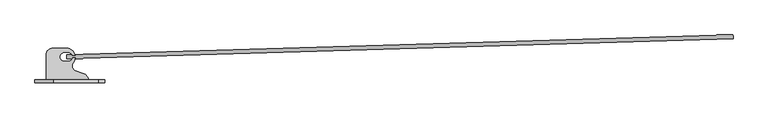
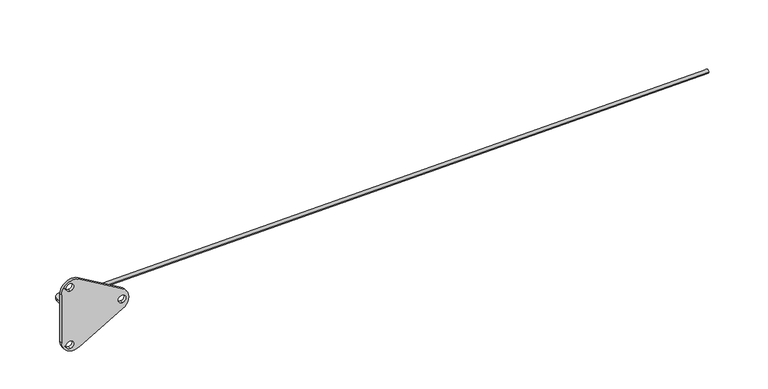
"""IFC4 building model written with IfcOpenShell, lengths in millimetres: proxy geometry."""

from ifc_helpers import new_model, si_unit, point, frame, frame_2d, origin, place, context, project, spatial, polyline, circle_curve, trimmed, segment, composite_curve, outline, extrude, source, transform, mapped, element, save
from ifc_brep_helpers import plane_surface, extruded_surface, advanced_brep


def specialty_equipment_0e091ee8(model_context):
    return source(origin(), model_context, "Body", "SolidModel", [
        extrude(outline(composite_curve([segment(polyline([(106.9663575, -86.5), (22.9663575, -86.5), (22.9663575, -35.5)]), True, "CONTINUOUS"), segment(trimmed(circle_curve(frame_2d((35.9663575, -35.5)), 13.0), [point((22.9663575, -35.5))], [point((35.9663575, -22.5))], False, "CARTESIAN"), True, "CONTINUOUS"), segment(polyline([(35.9663575, -22.5), (62.9663575, -22.5)]), True, "CONTINUOUS"), segment(trimmed(circle_curve(frame_2d((62.9663575, -40.5)), 18.0), [point((62.9663575, -22.5))], [point((76.8783659, -51.9217347))], False, "CARTESIAN"), True, "CONTINUOUS"), segment(trimmed(circle_curve(frame_2d((84.6072594, -58.2671428)), 10.0), [point((76.8783659, -51.9217347))], [point((81.0486273, -67.6125234))], True, "CARTESIAN"), True, "CONTINUOUS"), segment(polyline([(81.0486273, -67.6125234), (98.3110266, -74.1858809)]), True, "CONTINUOUS"), segment(trimmed(circle_curve(frame_2d((93.5280064, -86.7466465)), 13.4406143), [point((98.3110266, -74.1858809))], [point((106.9663575, -86.5))], False, "CARTESIAN"), True, "CONTINUOUS")], self_intersect=False), holes=[composite_curve([segment(trimmed(circle_curve(frame_2d((66.8881977, -40.0756978)), 8.0), [point((66.8881977, -48.0756978))], [point((66.8881977, -32.0756978))], True, "CARTESIAN"), True, "CONTINUOUS"), segment(polyline([(66.8881977, -32.0756978), (58.8881977, -32.0756978)]), True, "CONTINUOUS"), segment(trimmed(circle_curve(frame_2d((58.8881977, -40.0756978)), 8.0), [point((58.8881977, -32.0756978))], [point((58.8881977, -48.0756978))], True, "CARTESIAN"), True, "CONTINUOUS"), segment(polyline([(58.8881977, -48.0756978), (66.8881977, -48.0756978)]), True, "CONTINUOUS")], self_intersect=False)]), frame((0.0, 0.0, 1797.0), z_axis=(0.0, 0.0, 1.0), x_axis=(1.0, 0.0, 0.0)), (0.0, 0.0, 1.0), 6.0),
        extrude(outline(composite_curve([segment(trimmed(circle_curve(frame_2d((1746.9543472, 24.5)), 24.5), [point((1746.9543472, 0.0))], [point((1725.7049481, 36.6947954))], False, "CARTESIAN"), True, "CONTINUOUS"), segment(polyline([(1725.7049481, 36.6947954), (1777.5339286, 127.0066589)]), True, "CONTINUOUS"), segment(trimmed(circle_curve(frame_2d((1799.932417, 114.1524138)), 25.8248698), [point((1777.5339286, 127.0066589))], [point((1822.263764, 127.1229513))], False, "CARTESIAN"), True, "CONTINUOUS"), segment(polyline([(1822.263764, 127.1229513), (1874.1115681, 37.8566967)]), True, "CONTINUOUS"), segment(trimmed(circle_curve(frame_2d((1852.3205602, 25.2)), 25.2), [point((1874.1115681, 37.8566967))], [point((1852.3205602, 0.0))], False, "CARTESIAN"), True, "CONTINUOUS"), segment(polyline([(1852.3205602, 0.0), (1746.9543472, 0.0)]), True, "CONTINUOUS")], self_intersect=False), holes=[composite_curve([segment(trimmed(circle_curve(frame_2d((1800.0, 126.2500924)), 8.0), [point((1792.0, 126.2500924))], [point((1808.0, 126.2500924))], True, "CARTESIAN"), True, "CONTINUOUS"), segment(trimmed(circle_curve(frame_2d((1800.0, 126.2500924)), 8.0), [point((1808.0, 126.2500924))], [point((1792.0, 126.2500924))], True, "CARTESIAN"), True, "CONTINUOUS")], self_intersect=False), composite_curve([segment(trimmed(circle_curve(frame_2d((1863.2834836, 17.2950526)), 8.0), [point((1855.2834836, 17.2950526))], [point((1871.2834836, 17.2950526))], True, "CARTESIAN"), True, "CONTINUOUS"), segment(trimmed(circle_curve(frame_2d((1863.2834836, 17.2950526)), 8.0), [point((1871.2834836, 17.2950526))], [point((1855.2834836, 17.2950526))], True, "CARTESIAN"), True, "CONTINUOUS")], self_intersect=False), composite_curve([segment(trimmed(circle_curve(frame_2d((1736.7165164, 17.2950526)), 8.0), [point((1728.7165164, 17.2950526))], [point((1744.7165164, 17.2950526))], True, "CARTESIAN"), True, "CONTINUOUS"), segment(trimmed(circle_curve(frame_2d((1736.7165164, 17.2950526)), 8.0), [point((1744.7165164, 17.2950526))], [point((1728.7165164, 17.2950526))], True, "CARTESIAN"), True, "CONTINUOUS")], self_intersect=False)]), frame((0.0, -92.5, 0.0), z_axis=(0.0, 1.0, 0.0), x_axis=(0.0, 0.0, 1.0)), (0.0, 0.0, 1.0), 6.0),
        advanced_brep(
        [(1401.4517313, 3.9982058, 1800.0), (1401.6914254, -3.9982025, 1800.0), (63.6801529, -36.1017958, 1800.0), (63.9198471, -44.0982042, 1800.0)],
        [
            (0, 1, circle_curve(frame((1401.5715784, 1.6e-06, 1800.0), z_axis=(0.9995510455553219, 0.029961764455100022, 0.0), x_axis=(0.029961764455100022, -0.9995510455553219, 0.0)), 4.0)),
            (1, 0, circle_curve(frame((1401.5715784, 1.6e-06, 1800.0), z_axis=(0.9995510455553219, 0.029961764455100022, 0.0), x_axis=(0.029961764455100022, -0.9995510455553219, 0.0)), 4.0)),
            (2, 3, circle_curve(frame((63.8, -40.1, 1800.0), z_axis=(-0.9995510455553219, -0.029961764455100022, 0.0), x_axis=(0.029961764455100022, -0.9995510455553219, 0.0)), 4.0)),
            (3, 2, circle_curve(frame((63.8, -40.1, 1800.0), z_axis=(-0.9995510455553219, -0.029961764455100022, 0.0), x_axis=(0.029961764455100022, -0.9995510455553219, 0.0)), 4.0)),
            (2, 0),
            (1, 3),
        ],
        [
            plane_surface(frame((1401.5715784, 1.6e-06, 1800.0), z_axis=(0.9995510455553219, 0.029961764455100022, 0.0), x_axis=(0.0, 0.0, -1.0))),
            plane_surface(frame((63.8, -40.1, 1800.0), z_axis=(-0.9995510455553219, -0.029961764455100022, 0.0), x_axis=(0.0, 0.0, -1.0))),
            extruded_surface(trimmed(circle_curve(frame((1401.5715784, 1.6e-06, 1800.0), z_axis=(-0.9995510455553219, -0.029961764455100022, 0.0), x_axis=(0.029961764455100022, -0.9995510455553219, 0.0)), 4.0), [point((1401.4517313, 3.9982058, 1800.0))], [point((1401.6914254, -3.9982025, 1800.0))], True, "CARTESIAN"), (-1337.7715784, -40.1000016, 0.0), 1338.3724467065015),
            extruded_surface(trimmed(circle_curve(frame((1401.5715784, 1.6e-06, 1800.0), z_axis=(-0.9995510455553219, -0.029961764455100022, 0.0), x_axis=(0.029961764455100022, -0.9995510455553219, 0.0)), 4.0), [point((1401.6914254, -3.9982025, 1800.0))], [point((1401.4517313, 3.9982058, 1800.0))], True, "CARTESIAN"), (-1337.7715784, -40.1000016, 0.0), 1338.3724467065015),
        ],
        [
            (0, [[1, 2]]),
            (1, [[3, 4]]),
            (2, [[5, -2, 6, -3]]),
            (3, [[-6, -1, -5, -4]]),
        ],
    ),
    ])


if __name__ == "__main__":
    model = new_model("IFC4")
    model_context = context("Model", 3, world=origin())
    ifc_project = project(units=[si_unit("LENGTHUNIT", "METRE", prefix="MILLI")], contexts=[model_context])
    site = spatial("IfcSite", under=ifc_project)
    building = spatial("IfcBuilding", under=site)
    placement = place(None, origin())
    specialty_equipment_shape = specialty_equipment_0e091ee8(model_context)
    element("IfcBuildingElementProxy", 1, Name="Specialty Equipment", at=placement, inside=building, context=model_context, shape_type="MappedRepresentation", body=[
        mapped(specialty_equipment_shape, transform((0.0, 0.0, 0.0), x_axis=(1.0, 0.0, 0.0), y_axis=(0.0, 1.0, 0.0), z_axis=(0.0, 0.0, 1.0))),
    ])
    save(model, "model.ifc")
